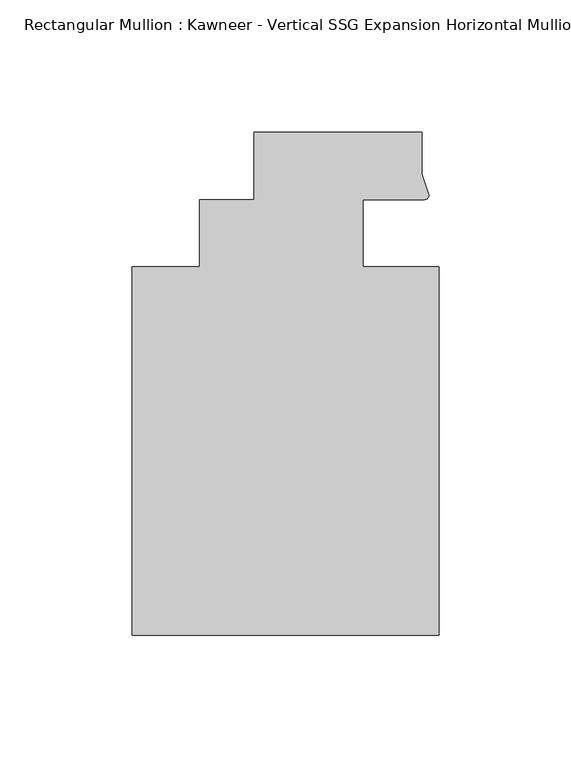
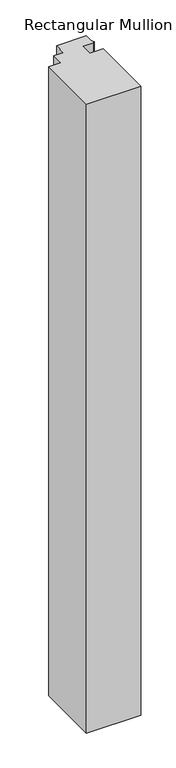
"""IFC4 building model written with IfcOpenShell, lengths in millimetres: member geometry."""

from ifc_helpers import new_model, si_unit, point, frame, frame_2d, origin, place, context, project, spatial, polyline, circle_curve, trimmed, segment, composite_curve, outline, extrude, source, transform, mapped, element, save


def member_4fddab10(model_context):
    return source(origin(), model_context, "Body", "SweptSolid", [
        extrude(outline(composite_curve([segment(polyline([(48.2997293, 12.7000881), (25.0401592, 12.7000881), (25.0401592, -12.7), (53.615046, -12.7), (53.615046, -151.892), (-62.2957636, -151.892), (-62.2957636, -12.7), (-36.8958768, -12.7), (-36.8958768, 12.7), (-16.234954, 12.7), (-16.234954, 38.1), (47.265046, 38.1), (47.265046, 22.2250977), (49.9159011, 14.2884292)]), True, "CONTINUOUS"), segment(trimmed(circle_curve(frame_2d((48.2162832, 14.401412)), 1.703369), [point((49.9159011, 14.2884292))], [point((48.2997293, 12.7000881))], False, "CARTESIAN"), True, "CONTINUOUS")], self_intersect=False)), frame((0.0, 0.0, -1418.0902057), z_axis=(0.0, 0.0, 1.0), x_axis=(1.0, 0.0, 0.0)), (0.0, 0.0, 1.0), 1418.0902057),
    ])


if __name__ == "__main__":
    model = new_model("IFC4")
    model_context = context("Model", 3, world=origin())
    ifc_project = project(units=[si_unit("LENGTHUNIT", "METRE", prefix="MILLI")], contexts=[model_context])
    site = spatial("IfcSite", under=ifc_project)
    building = spatial("IfcBuilding", under=site)
    placement = place(None, origin())
    member_shape = member_4fddab10(model_context)
    element("IfcMember", 1, ObjectType="Rectangular Mullion : Kawneer - Vertical SSG Expansion Horizontal Mullion - 7 1/2\"", at=placement, inside=building, context=model_context, shape_type="MappedRepresentation", body=[
        mapped(member_shape, transform((0.0, 0.0, 0.0), x_axis=(1.0, 0.0, 0.0), y_axis=(0.0, 1.0, 0.0), z_axis=(0.0, 0.0, 1.0))),
    ])
    save(model, "model.ifc")
